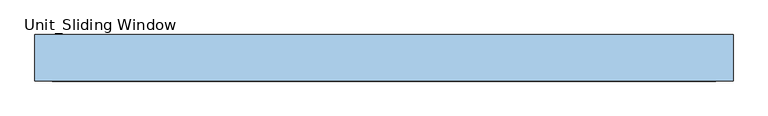
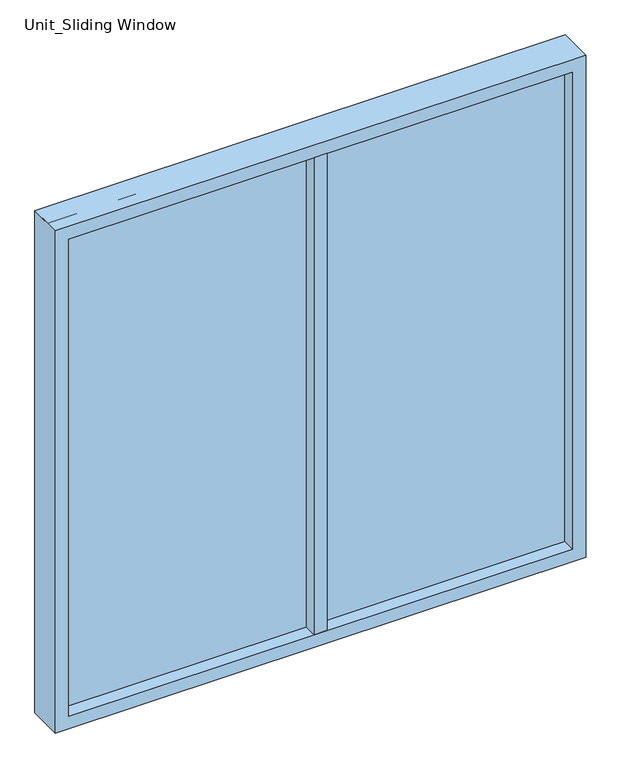
"""IFC4 building model written with IfcOpenShell, lengths in millimetres: window geometry, Unit_Sliding Window."""

import ifcopenshell
import ifcopenshell.guid

model = None  # the IFC model being written
_history = None  # IfcOwnerHistory: only IFC2X3 demands one
_inside = {}  # id of a spatial element -> (the spatial element, [elements in it])
_under = {}  # id of a project, library or spatial element -> (it, [spatial elements below it])
_declared = {}  # id of a project -> (the project, [libraries it declares])
_typed = {}  # id of a type object -> (the type object, [elements of that type])
_made_of = {}  # id of a material, layer set ... -> (it, [elements and type objects made of it])


def new_model(schema):
    """Start an empty IFC model of exactly this schema.

    Asked for "IFC4X3", IfcOpenShell would pick the latest addendum, in which some entities
    have other attributes; the version numbers below select the first issue.
    IFC2X3 requires an IfcOwnerHistory on every rooted entity: one is made here for all.
    """
    global model, _history
    if schema == "IFC4X3":
        model = ifcopenshell.file(schema_version=(4, 3, 0, 0))
    else:
        model = ifcopenshell.file(schema=schema)
    _inside.clear()
    _under.clear()
    _declared.clear()
    _typed.clear()
    _made_of.clear()
    _history = None
    if model.schema == "IFC2X3":
        org = make("IfcOrganization", Name="unknown")
        user = make(
            "IfcPersonAndOrganization",
            ThePerson=make("IfcPerson", FamilyName="unknown"),
            TheOrganization=org,
        )
        app = make(
            "IfcApplication",
            ApplicationDeveloper=org,
            Version="unknown",
            ApplicationFullName="unknown",
            ApplicationIdentifier="unknown",
        )
        _history = make(
            "IfcOwnerHistory",
            OwningUser=user,
            OwningApplication=app,
            ChangeAction="ADDED",
            CreationDate=0,
        )
    return model


def make(cls, **values):
    """One entity of the class cls with the attributes given. An attribute that is None is left unset."""
    return model.create_entity(
        cls, **{name: value for name, value in values.items() if value is not None}
    )


def rooted(cls, **values):
    """An entity with a GlobalId (a new one), such as an element, a storey or a relation."""
    return make(cls, GlobalId=ifcopenshell.guid.new(), OwnerHistory=_history, **values)


def si_unit(unit_type, name, prefix=None):
    """IfcSIUnit, for example si_unit("LENGTHUNIT", "METRE", prefix="MILLI")."""
    return make("IfcSIUnit", UnitType=unit_type, Prefix=prefix, Name=name)


def assignment(units):
    """IfcUnitAssignment: the units of a project."""
    return None if units is None else make("IfcUnitAssignment", Units=units)


def point(xyz):
    """IfcCartesianPoint."""
    return None if xyz is None else make("IfcCartesianPoint", Coordinates=xyz)


def direction(xyz):
    """IfcDirection."""
    return None if xyz is None else make("IfcDirection", DirectionRatios=xyz)


def frame(location, z_axis=None, x_axis=None):
    """IfcAxis2Placement3D, a coordinate frame: its origin and axes. An axis left out is left unset."""
    return make(
        "IfcAxis2Placement3D",
        Location=point(location),
        Axis=direction(z_axis),
        RefDirection=direction(x_axis),
    )


def origin():
    """The frame at (0, 0, 0) with its axes left unset."""
    return frame((0.0, 0.0, 0.0))


def place(relative_to, where):
    """IfcLocalPlacement: puts the frame where relative to a parent placement (None: the world)."""
    return make(
        "IfcLocalPlacement", PlacementRelTo=relative_to, RelativePlacement=where
    )


def context(
    kind, dimensions, precision=None, world=None, true_north=None, identifier=None
):
    """IfcGeometricRepresentationContext, for example the 3D "Model" context."""
    return make(
        "IfcGeometricRepresentationContext",
        ContextIdentifier=identifier,
        ContextType=kind,
        CoordinateSpaceDimension=dimensions,
        Precision=precision,
        WorldCoordinateSystem=world,
        TrueNorth=true_north,
    )


def project(units=None, contexts=None):
    """IfcProject with its units and contexts."""
    return rooted(
        "IfcProject",
        Name="project",
        RepresentationContexts=contexts,
        UnitsInContext=assignment(units),
    )


def spatial(cls, under=None, at=None, **own):
    """A site, building, storey or space (cls), placed at a placement, below another one or the project."""
    s = rooted(cls, ObjectPlacement=at, **own)
    if under is not None:
        _under.setdefault(under.id(), (under, []))[1].append(s)
    return s


def polyline(points):
    """IfcPolyline through the points."""
    return make("IfcPolyline", Points=[point(p) for p in points])


def outline(outer, holes=None, kind="AREA"):
    """IfcArbitraryClosedProfileDef: a profile drawn as a closed curve; with holes, ...WithVoids."""
    if holes is None:
        return make("IfcArbitraryClosedProfileDef", ProfileType=kind, OuterCurve=outer)
    return make(
        "IfcArbitraryProfileDefWithVoids",
        ProfileType=kind,
        OuterCurve=outer,
        InnerCurves=holes,
    )


def extrude(swept, where, along, depth):
    """IfcExtrudedAreaSolid: the profile swept, set in the frame where, extruded along a direction by depth."""
    return make(
        "IfcExtrudedAreaSolid",
        SweptArea=swept,
        Position=where,
        ExtrudedDirection=direction(along),
        Depth=depth,
    )


def shape(context_of_items, identifier, shape_type, items):
    """IfcShapeRepresentation: the items that make up one representation, for example the "Body"."""
    return make(
        "IfcShapeRepresentation",
        ContextOfItems=context_of_items,
        RepresentationIdentifier=identifier,
        RepresentationType=shape_type,
        Items=items,
    )


def source(mapping_origin, context_of_items, identifier, shape_type, items):
    """IfcRepresentationMap: a shape defined once, which mapped items show again and again."""
    return make(
        "IfcRepresentationMap",
        MappingOrigin=mapping_origin,
        MappedRepresentation=shape(context_of_items, identifier, shape_type, items),
    )


def transform(
    local_origin,
    x_axis=None,
    y_axis=None,
    z_axis=None,
    scale=None,
    scale2=None,
    scale3=None,
    uniform=True,
):
    """IfcCartesianTransformationOperator3D, or its non-uniform kind. x_axis, y_axis, z_axis: its Axis1, 2, 3."""
    if uniform:
        return make(
            "IfcCartesianTransformationOperator3D",
            Axis1=direction(x_axis),
            Axis2=direction(y_axis),
            LocalOrigin=point(local_origin),
            Scale=scale,
            Axis3=direction(z_axis),
        )
    return make(
        "IfcCartesianTransformationOperator3DnonUniform",
        Axis1=direction(x_axis),
        Axis2=direction(y_axis),
        LocalOrigin=point(local_origin),
        Scale=scale,
        Axis3=direction(z_axis),
        Scale2=scale2,
        Scale3=scale3,
    )


def mapped(mapping_source, mapping_target):
    """IfcMappedItem: shows the shape of a source again, moved by a transform."""
    return make(
        "IfcMappedItem", MappingSource=mapping_source, MappingTarget=mapping_target
    )


def made_of(thing, what):
    """Note that an element or type object is made of a material, layer set ...; save() writes the relation."""
    if what is not None:
        _made_of.setdefault(what.id(), (what, []))[1].append(thing)
    return thing


def element(
    cls,
    number,
    at=None,
    inside=None,
    cuts=None,
    type_object=None,
    material=None,
    context=None,
    identifier="Body",
    shape_type=None,
    held_by="IfcProductDefinitionShape",
    body=None,
    shapes=None,
    **own,
):
    """One element of the class cls, such as IfcWall. Its Tag is "e" and its number.

    at: its placement. inside: the storey or other place that contains it. cuts: it is an
    opening in that element (IfcRelVoidsElement). A single representation is given by context,
    identifier, shape_type and body (its items); several are given by shapes. held_by: the class
    of the entity that holds the representations. save() writes the other relations.
    """
    e = rooted(cls, Tag="e%d" % number, ObjectPlacement=at, **own)
    if body is not None:
        shapes = [shape(context, identifier, shape_type, body)]
    if shapes is not None:
        e.Representation = make(held_by, Representations=shapes)
    if inside is not None:
        _inside.setdefault(inside.id(), (inside, []))[1].append(e)
    if cuts is not None:
        rooted(
            "IfcRelVoidsElement", RelatingBuildingElement=cuts, RelatedOpeningElement=e
        )
    if type_object is not None:
        _typed.setdefault(type_object.id(), (type_object, []))[1].append(e)
    return made_of(e, material)


def aggregate(whole, parts):
    """IfcRelAggregates: a whole, such as a stair, and the parts it consists of."""
    return rooted("IfcRelAggregates", RelatingObject=whole, RelatedObjects=parts)


def save(model, path):
    """Write the relations noted so far, then the file.

    IfcRelAggregates (storeys below a building ...), IfcRelContainedInSpatialStructure (elements
    in a storey), IfcRelDefinesByType, IfcRelAssociatesMaterial and IfcRelDeclares: one each for
    every whole, place, type object, material and project.
    """
    for whole, parts in _under.values():
        aggregate(whole, parts)
    for where, things in _inside.values():
        rooted(
            "IfcRelContainedInSpatialStructure",
            RelatedElements=things,
            RelatingStructure=where,
        )
    for kind, things in _typed.values():
        rooted("IfcRelDefinesByType", RelatedObjects=things, RelatingType=kind)
    for what, things in _made_of.values():
        rooted("IfcRelAssociatesMaterial", RelatedObjects=things, RelatingMaterial=what)
    for by, libraries in _declared.values():
        rooted("IfcRelDeclares", RelatingContext=by, RelatedDefinitions=libraries)
    model.write(path)


def unit_sliding_window_4666dbe3(model_context):
    return source(origin(), model_context, "Body", "SweptSolid", [
        extrude(outline(polyline([(-19.05, -77.7875), (-19.05, 23.8125), (19.05, 23.8125), (19.05, -77.7875), (-19.05, -77.7875)])), frame((0.0, 0.0, 952.5), z_axis=(0.0, 0.0, 1.0), x_axis=(1.0, 0.0, 0.0)), (0.0, 0.0, 1.0), 1447.8),
        extrude(outline(polyline([(2438.4, -762.0), (914.4, -762.0), (914.4, 762.0), (2438.4, 762.0), (2438.4, -762.0)]), holes=[polyline([(2400.3, -723.9), (2400.3, 723.9), (952.5, 723.9), (952.5, -723.9), (2400.3, -723.9)])]), frame((0.0, -77.7875, 0.0), z_axis=(0.0, 1.0, 0.0), x_axis=(0.0, 0.0, 1.0)), (0.0, 0.0, 1.0), 101.6),
        extrude(outline(polyline([(-762.0, -39.6875), (-762.0, -14.2875), (762.0, -14.2875), (762.0, -39.6875), (-762.0, -39.6875)])), frame((0.0, 0.0, 914.4), z_axis=(0.0, 0.0, 1.0), x_axis=(1.0, 0.0, 0.0)), (0.0, 0.0, 1.0), 1524.0),
    ])


if __name__ == "__main__":
    model = new_model("IFC4")
    model_context = context("Model", 3, world=origin())
    ifc_project = project(units=[si_unit("LENGTHUNIT", "METRE", prefix="MILLI")], contexts=[model_context])
    site = spatial("IfcSite", under=ifc_project)
    building = spatial("IfcBuilding", under=site)
    placement = place(None, origin())
    unit_sliding_window_shape = unit_sliding_window_4666dbe3(model_context)
    element("IfcWindow", 1, ObjectType="Unit_Sliding Window", at=placement, inside=building, context=model_context, shape_type="MappedRepresentation", body=[
        mapped(unit_sliding_window_shape, transform((0.0, 0.0, 0.0), x_axis=(1.0, 0.0, 0.0), y_axis=(0.0, 1.0, 0.0), z_axis=(0.0, 0.0, 1.0))),
    ])
    save(model, "model.ifc")
